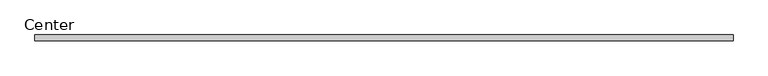
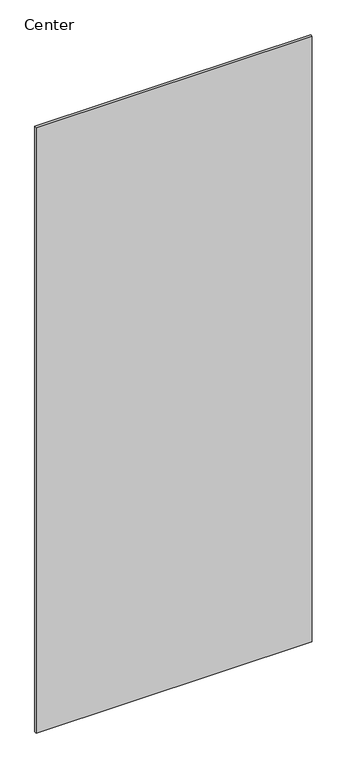
"""IFC4 building model written with IfcOpenShell, lengths in millimetres: plate geometry, Center."""

from ifc_helpers import new_model, si_unit, frame, origin, place, context, project, spatial, polyline, outline, extrude, source, transform, mapped, element, save


def center_a6ee9d02(model_context):
    return source(origin(), model_context, "Body", "SweptSolid", [
        extrude(outline(polyline([(579.8499998, 4.7625), (579.8499998, -4.7625), (-570.3249998, -4.7625), (-570.3249998, 4.7625), (579.8499998, 4.7625)])), frame((0.0, 0.0, 31.75), z_axis=(0.0, 0.0, 1.0), x_axis=(1.0, 0.0, 0.0)), (0.0, 0.0, 1.0), 2666.4999996),
    ])


if __name__ == "__main__":
    model = new_model("IFC4")
    model_context = context("Model", 3, world=origin())
    ifc_project = project(units=[si_unit("LENGTHUNIT", "METRE", prefix="MILLI")], contexts=[model_context])
    site = spatial("IfcSite", under=ifc_project)
    building = spatial("IfcBuilding", under=site)
    placement = place(None, origin())
    center_shape = center_a6ee9d02(model_context)
    element("IfcPlate", 1, ObjectType="Center", at=placement, inside=building, context=model_context, shape_type="MappedRepresentation", body=[
        mapped(center_shape, transform((0.0, 0.0, 0.0), x_axis=(1.0, 0.0, 0.0), y_axis=(0.0, 1.0, 0.0), z_axis=(0.0, 0.0, 1.0))),
    ])
    save(model, "model.ifc")
